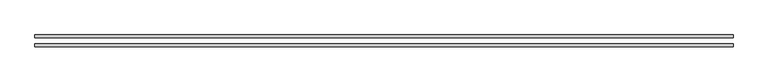
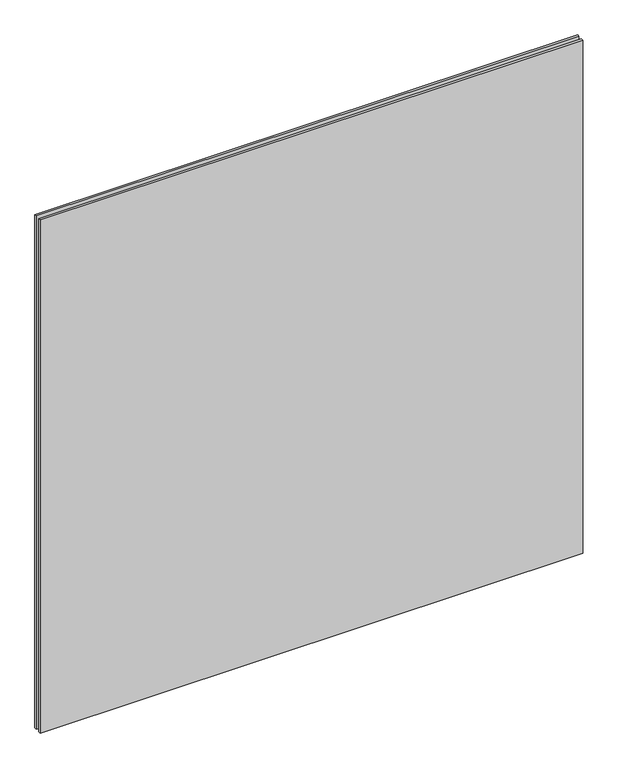
"""IFC4 building model written with IfcOpenShell, lengths in millimetres: plate geometry."""

from ifc_helpers import new_model, si_unit, origin, origin_with_axes, place, context, project, spatial, polyline, outline, extrude, source, transform, mapped, element, save


def plate_dd81d8f0(model_context):
    return source(origin(), model_context, "Body", "SweptSolid", [
        extrude(outline(polyline([(762.0, -6.35), (762.0, -12.7), (-762.0, -12.7), (-762.0, -6.35), (762.0, -6.35)])), origin_with_axes(), (0.0, 0.0, 1.0), 1524.0),
        extrude(outline(polyline([(762.0, 12.7), (762.0, 6.35), (-762.0, 6.35), (-762.0, 12.7), (762.0, 12.7)])), origin_with_axes(), (0.0, 0.0, 1.0), 1524.0),
    ])


if __name__ == "__main__":
    model = new_model("IFC4")
    model_context = context("Model", 3, world=origin())
    ifc_project = project(units=[si_unit("LENGTHUNIT", "METRE", prefix="MILLI")], contexts=[model_context])
    site = spatial("IfcSite", under=ifc_project)
    building = spatial("IfcBuilding", under=site)
    placement = place(None, origin())
    plate_shape = plate_dd81d8f0(model_context)
    element("IfcPlate", 1, at=placement, inside=building, context=model_context, shape_type="MappedRepresentation", body=[
        mapped(plate_shape, transform((0.0, 0.0, 0.0), x_axis=(1.0, 0.0, 0.0), y_axis=(0.0, 1.0, 0.0), z_axis=(0.0, 0.0, 1.0))),
    ])
    save(model, "model.ifc")
